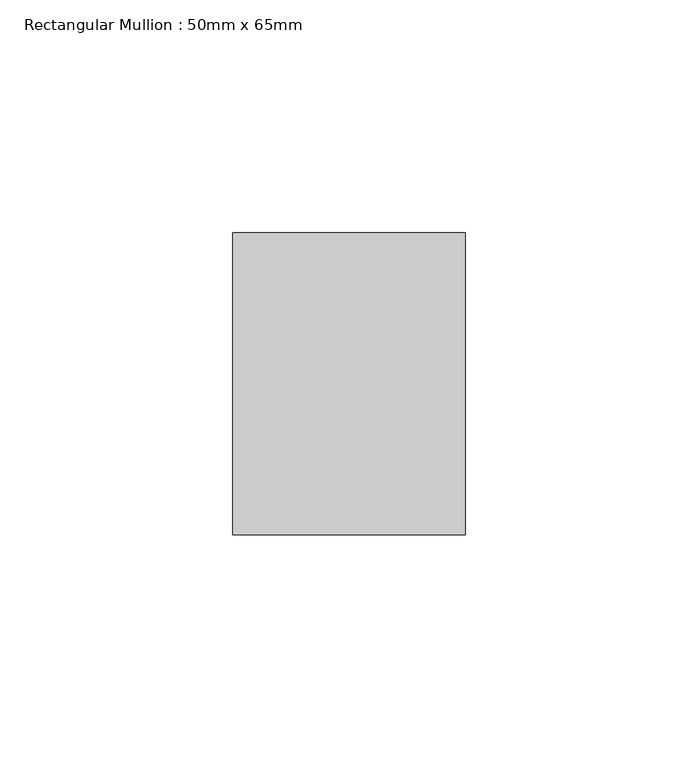
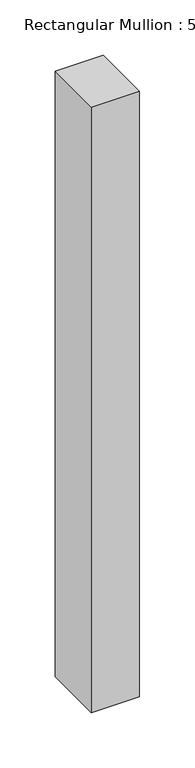
"""IFC4 building model written with IfcOpenShell, lengths in millimetres: member geometry, Rectangular Mullion : 50mm x 65mm."""

from ifc_helpers import new_model, si_unit, frame, origin, place, context, project, spatial, polyline, outline, extrude, source, transform, mapped, element, save


def rectangular_mullion_50mm_x_65mm_17176177(model_context):
    return source(origin(), model_context, "Body", "SweptSolid", [
        extrude(outline(polyline([(25.0, 32.5), (25.0, -32.5), (-25.0, -32.5), (-25.0, 32.5), (25.0, 32.5)])), frame((0.0, 0.0, -667.5402473), z_axis=(0.0, 0.0, 1.0), x_axis=(1.0, 0.0, 0.0)), (0.0, 0.0, 1.0), 667.5402473),
    ])


if __name__ == "__main__":
    model = new_model("IFC4")
    model_context = context("Model", 3, world=origin())
    ifc_project = project(units=[si_unit("LENGTHUNIT", "METRE", prefix="MILLI")], contexts=[model_context])
    site = spatial("IfcSite", under=ifc_project)
    building = spatial("IfcBuilding", under=site)
    placement = place(None, origin())
    rectangular_mullion_50mm_x_65mm_shape = rectangular_mullion_50mm_x_65mm_17176177(model_context)
    element("IfcMember", 1, ObjectType="Rectangular Mullion : 50mm x 65mm", at=placement, inside=building, context=model_context, shape_type="MappedRepresentation", body=[
        mapped(rectangular_mullion_50mm_x_65mm_shape, transform((0.0, 0.0, 0.0), x_axis=(1.0, 0.0, 0.0), y_axis=(0.0, 1.0, 0.0), z_axis=(0.0, 0.0, 1.0))),
    ])
    save(model, "model.ifc")
